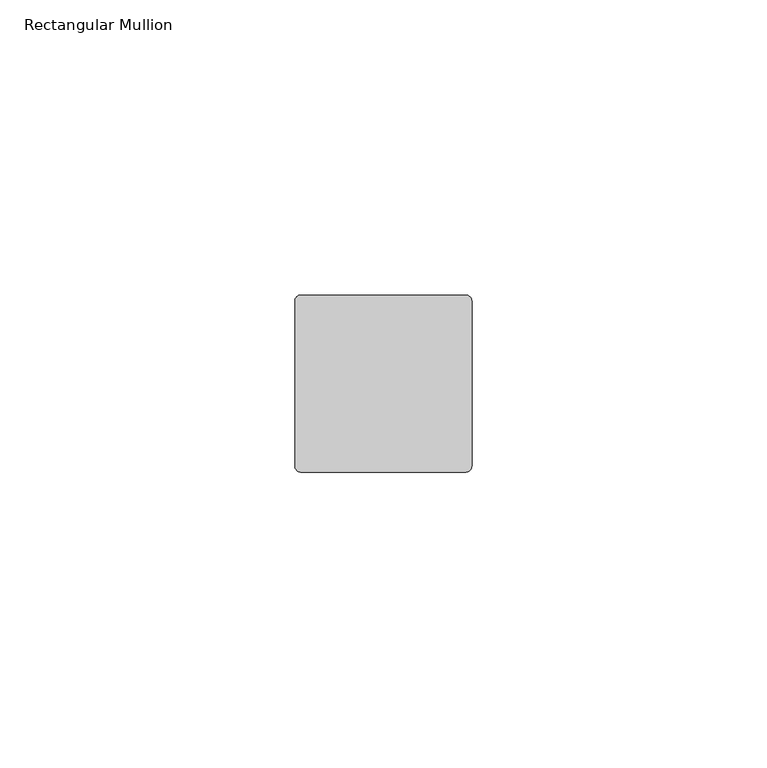
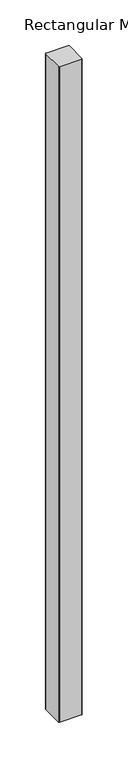
"""IFC4 building model written with IfcOpenShell, lengths in millimetres: member geometry, Rectangular Mullion."""

from ifc_helpers import new_model, si_unit, point, frame, frame_2d, origin, place, context, project, spatial, polyline, circle_curve, trimmed, segment, composite_curve, outline, extrude, source, transform, mapped, element, save


def rectangular_mullion_5f48c0d5(model_context):
    return source(origin(), model_context, "Body", "SweptSolid", [
        extrude(outline(composite_curve([segment(polyline([(-14.0, 15.0), (14.0, 15.0)]), True, "CONTINUOUS"), segment(trimmed(circle_curve(frame_2d((14.0, 14.0)), 1.0), [point((14.0, 15.0))], [point((15.0, 14.0))], False, "CARTESIAN"), True, "CONTINUOUS"), segment(polyline([(15.0, 14.0), (15.0, -14.0)]), True, "CONTINUOUS"), segment(trimmed(circle_curve(frame_2d((14.0, -14.0)), 1.0), [point((15.0, -14.0))], [point((14.0, -15.0))], False, "CARTESIAN"), True, "CONTINUOUS"), segment(polyline([(14.0, -15.0), (-14.0, -15.0)]), True, "CONTINUOUS"), segment(trimmed(circle_curve(frame_2d((-14.0, -14.0)), 1.0), [point((-14.0, -15.0))], [point((-15.0, -14.0))], False, "CARTESIAN"), True, "CONTINUOUS"), segment(polyline([(-15.0, -14.0), (-15.0, 14.0)]), True, "CONTINUOUS"), segment(trimmed(circle_curve(frame_2d((-14.0, 14.0)), 1.0), [point((-15.0, 14.0))], [point((-14.0, 15.0))], False, "CARTESIAN"), True, "CONTINUOUS")], self_intersect=False)), frame((0.0, 0.0, -880.0), z_axis=(0.0, 0.0, 1.0), x_axis=(1.0, 0.0, 0.0)), (0.0, 0.0, 1.0), 880.0),
    ])


if __name__ == "__main__":
    model = new_model("IFC4")
    model_context = context("Model", 3, world=origin())
    ifc_project = project(units=[si_unit("LENGTHUNIT", "METRE", prefix="MILLI")], contexts=[model_context])
    site = spatial("IfcSite", under=ifc_project)
    building = spatial("IfcBuilding", under=site)
    placement = place(None, origin())
    rectangular_mullion_shape = rectangular_mullion_5f48c0d5(model_context)
    element("IfcMember", 1, ObjectType="Rectangular Mullion", at=placement, inside=building, context=model_context, shape_type="MappedRepresentation", body=[
        mapped(rectangular_mullion_shape, transform((0.0, 0.0, 0.0), x_axis=(1.0, 0.0, 0.0), y_axis=(0.0, 1.0, 0.0), z_axis=(0.0, 0.0, 1.0))),
    ])
    save(model, "model.ifc")
